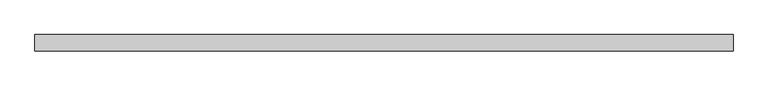
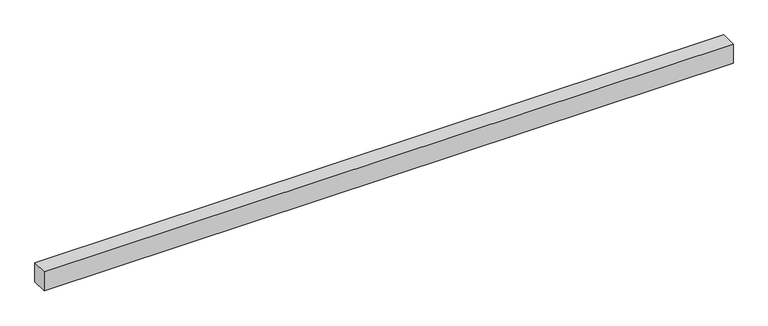
"""IFC4 building model written with IfcOpenShell, lengths in millimetres: proxy geometry."""

from ifc_helpers import new_model, si_unit, origin, origin_with_axes, place, context, project, spatial, polyline, outline, extrude, source, transform, mapped, element, save


def generic_models_eab8396c(model_context):
    return source(origin(), model_context, "Body", "SweptSolid", [
        extrude(outline(polyline([(3400.0, -40.0), (0.0, -40.0), (0.0, 40.0), (3400.0, 40.0), (3400.0, -40.0)])), origin_with_axes(), (0.0, 0.0, 1.0), 100.0),
    ])


if __name__ == "__main__":
    model = new_model("IFC4")
    model_context = context("Model", 3, world=origin())
    ifc_project = project(units=[si_unit("LENGTHUNIT", "METRE", prefix="MILLI")], contexts=[model_context])
    site = spatial("IfcSite", under=ifc_project)
    building = spatial("IfcBuilding", under=site)
    placement = place(None, origin())
    generic_models_shape = generic_models_eab8396c(model_context)
    element("IfcBuildingElementProxy", 1, Name="Generic Models", at=placement, inside=building, context=model_context, shape_type="MappedRepresentation", body=[
        mapped(generic_models_shape, transform((0.0, 0.0, 0.0), x_axis=(1.0, 0.0, 0.0), y_axis=(0.0, 1.0, 0.0), z_axis=(0.0, 0.0, 1.0))),
    ])
    save(model, "model.ifc")
